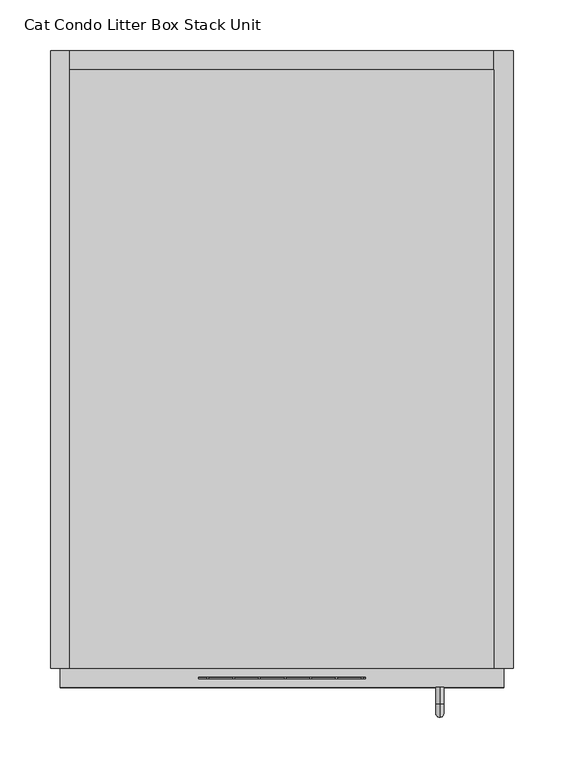
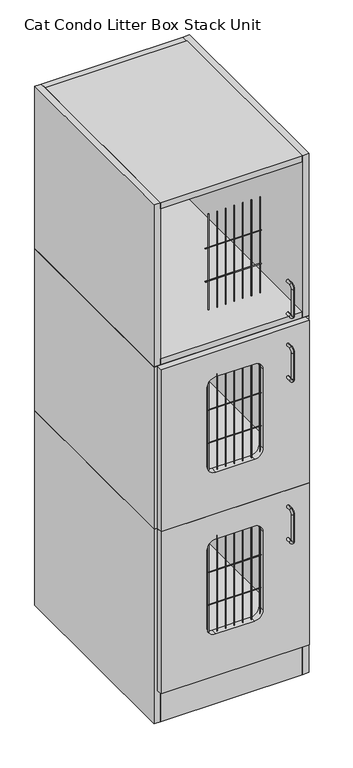
"""IFC4 building model written with IfcOpenShell, lengths in millimetres: proxy geometry, Cat Condo Litter Box Stack Unit."""

from ifc_helpers import new_model, si_unit, point, frame, frame_2d, origin, origin_with_axes, place, context, project, spatial, polyline, circle_curve, ellipse_curve, trimmed, segment, composite_curve, outline, extrude, source, transform, mapped, element, save
from ifc_brep_helpers import plane_surface, cylinder_surface, revolved_surface, advanced_brep


def cat_condo_litter_box_stack_unit_f2a30e1c(model_context):
    return source(origin(), model_context, "Body", "SolidModel", [
        advanced_brep(
        [(384.5819084, -19.05, 551.6993154), (384.5819084, -19.05, 559.5506846), (384.5819084, -35.2117768, 551.6993154), (384.5819084, -35.2117768, 559.5506846), (384.5819084, -48.3756846, 546.3867768), (384.5819084, -40.5243154, 546.3867768), (384.5819084, -40.5243154, 463.2632232), (384.5819084, -48.3756846, 463.2632232), (384.5819084, -35.2117768, 450.0993154), (384.5819084, -35.2117768, 457.9506846), (384.5819084, -19.05, 457.9506846), (384.5819084, -19.05, 450.0993154)],
        [
            (0, 1, circle_curve(frame((384.5819084, -19.05, 555.625), z_axis=(0.0, 1.0, 0.0), x_axis=(0.0, 0.0, 1.0)), 3.9256846)),
            (1, 0, circle_curve(frame((384.5819084, -19.05, 555.625), z_axis=(0.0, 1.0, 0.0), x_axis=(0.0, 0.0, 1.0)), 3.9256846)),
            (0, 2),
            (2, 3, circle_curve(frame((384.5819084, -35.2117768, 555.625), z_axis=(0.0, 1.0, 0.0), x_axis=(0.0, 0.0, 1.0)), 3.9256846)),
            (3, 1),
            (3, 2, circle_curve(frame((384.5819084, -35.2117768, 555.625), z_axis=(0.0, 1.0, 0.0), x_axis=(0.0, 0.0, 1.0)), 3.9256846)),
            (4, 3, circle_curve(frame((384.5819084, -35.2117768, 546.3867768), z_axis=(-1.0, 0.0, 0.0), x_axis=(0.0, 0.0, 1.0)), 13.1639078)),
            (2, 5, circle_curve(frame((384.5819084, -35.2117768, 546.3867768), z_axis=(1.0, 0.0, 0.0), x_axis=(0.0, 0.0, 1.0)), 5.3125387)),
            (5, 4, circle_curve(frame((384.5819084, -44.45, 546.3867768), z_axis=(0.0, 0.0, 1.0), x_axis=(0.0, -1.0000000000000002, 0.0)), 3.9256846)),
            (4, 5, circle_curve(frame((384.5819084, -44.45, 546.3867768), z_axis=(0.0, 0.0, 1.0), x_axis=(0.0, -1.0000000000000002, 0.0)), 3.9256846)),
            (5, 6),
            (6, 7, circle_curve(frame((384.5819084, -44.45, 463.2632232), z_axis=(0.0, 0.0, 1.0), x_axis=(0.0, -1.0000000000000002, 0.0)), 3.9256846)),
            (7, 4),
            (7, 6, circle_curve(frame((384.5819084, -44.45, 463.2632232), z_axis=(0.0, 0.0, 1.0), x_axis=(0.0, -1.0000000000000002, 0.0)), 3.9256846)),
            (8, 7, circle_curve(frame((384.5819084, -35.2117768, 463.2632232), z_axis=(-1.0, 0.0, 0.0), x_axis=(0.0, -1.0000000000000002, 0.0)), 13.1639078)),
            (6, 9, circle_curve(frame((384.5819084, -35.2117768, 463.2632232), z_axis=(1.0, 0.0, 0.0), x_axis=(0.0, -1.0000000000000002, 0.0)), 5.3125387)),
            (9, 8, circle_curve(frame((384.5819084, -35.2117768, 454.025), z_axis=(0.0, -1.0000000000000002, 0.0), x_axis=(0.0, 0.0, -1.0)), 3.9256846)),
            (8, 9, circle_curve(frame((384.5819084, -35.2117768, 454.025), z_axis=(0.0, -1.0000000000000002, 0.0), x_axis=(0.0, 0.0, -1.0)), 3.9256846)),
            (10, 11, circle_curve(frame((384.5819084, -19.05, 454.025), z_axis=(0.0, 1.0, 0.0), x_axis=(0.0, 0.0, -1.0)), 3.9256846)),
            (11, 10, circle_curve(frame((384.5819084, -19.05, 454.025), z_axis=(0.0, 1.0, 0.0), x_axis=(0.0, 0.0, -1.0)), 3.9256846)),
            (9, 10),
            (11, 8),
        ],
        [
            plane_surface(frame((384.5819084, -19.05, 555.625), z_axis=(0.0, 1.0, 0.0), x_axis=(1.0, 0.0, 0.0))),
            cylinder_surface(frame((384.5819084, -19.05, 555.625), z_axis=(0.0, 1.0000000000000002, 0.0), x_axis=(0.0, 0.0, 1.0)), 3.9256846),
            revolved_surface(trimmed(ellipse_curve(frame((384.5819084, -35.2117768, 555.625), z_axis=(0.0, 1.0000000000000002, 0.0), x_axis=(0.0, 0.0, 1.0)), 3.9256846, 3.9256846), [point((384.5819084, -35.2117768, 551.6993154))], [point((384.5819084, -35.2117768, 559.5506846))], True, "CARTESIAN"), (384.5819084, -35.2117768, 546.3867768), (1.0000000000000002, 0.0, 0.0)),
            revolved_surface(trimmed(ellipse_curve(frame((384.5819084, -35.2117768, 555.625), z_axis=(0.0, 1.0000000000000002, 0.0), x_axis=(0.0, 0.0, 1.0)), 3.9256846, 3.9256846), [point((384.5819084, -35.2117768, 559.5506846))], [point((384.5819084, -35.2117768, 551.6993154))], True, "CARTESIAN"), (384.5819084, -35.2117768, 546.3867768), (1.0000000000000002, 0.0, 0.0)),
            cylinder_surface(frame((384.5819084, -44.45, 546.3867768), z_axis=(0.0, 0.0, 1.0), x_axis=(0.0, -1.0000000000000002, 0.0)), 3.9256846),
            revolved_surface(trimmed(ellipse_curve(frame((384.5819084, -44.45, 463.2632232), z_axis=(0.0, 0.0, 1.0), x_axis=(0.0, -1.0000000000000002, 0.0)), 3.9256846, 3.9256846), [point((384.5819084, -40.5243154, 463.2632232))], [point((384.5819084, -48.3756846, 463.2632232))], True, "CARTESIAN"), (384.5819084, -35.2117768, 463.2632232), (1.0000000000000002, 0.0, 0.0)),
            revolved_surface(trimmed(ellipse_curve(frame((384.5819084, -44.45, 463.2632232), z_axis=(0.0, 0.0, 1.0), x_axis=(0.0, -1.0000000000000002, 0.0)), 3.9256846, 3.9256846), [point((384.5819084, -48.3756846, 463.2632232))], [point((384.5819084, -40.5243154, 463.2632232))], True, "CARTESIAN"), (384.5819084, -35.2117768, 463.2632232), (1.0000000000000002, 0.0, 0.0)),
            plane_surface(frame((384.5819084, -19.05, 454.025), z_axis=(0.0, 1.0, 0.0), x_axis=(1.0, 0.0, 0.0))),
            cylinder_surface(frame((384.5819084, -35.2117768, 454.025), z_axis=(0.0, -1.0000000000000002, 0.0), x_axis=(0.0, 0.0, -1.0)), 3.9256846),
        ],
        [
            (0, [[1, 2]]),
            (1, [[-1, 3, 4, 5]]),
            (1, [[-2, -5, 6, -3]]),
            (2, [[7, -4, 8, 9]]),
            (3, [[-8, -6, -7, 10]]),
            (4, [[-9, 11, 12, 13]]),
            (4, [[-10, -13, 14, -11]]),
            (5, [[15, -12, 16, 17]]),
            (6, [[-16, -14, -15, 18]]),
            (7, [[19, 20]]),
            (8, [[-17, 21, -20, 22]]),
            (8, [[-18, -22, -19, -21]]),
        ],
    ),
        extrude(outline(polyline([(438.15, 590.55), (438.15, 0.0), (19.05, 0.0), (19.05, 590.55), (438.15, 590.55)])), frame((0.0, 0.0, 587.375), z_axis=(0.0, 0.0, 1.0), x_axis=(1.0, 0.0, 0.0)), (0.0, 0.0, 1.0), 19.05),
        extrude(outline(polyline([(438.15, 0.0), (19.05, 0.0), (19.05, 590.55), (438.15, 590.55), (438.15, 0.0)])), frame((0.0, 0.0, 101.6), z_axis=(0.0, 0.0, 1.0), x_axis=(1.0, 0.0, 0.0)), (0.0, 0.0, 1.0), 19.05),
        extrude(outline(polyline([(438.15, 19.05), (438.15, 0.0), (19.05, 0.0), (19.05, 19.05), (438.15, 19.05)])), origin_with_axes(), (0.0, 0.0, 1.0), 101.6),
        extrude(outline(polyline([(438.15, 609.6), (457.2, 609.6), (457.2, 0.0), (438.15, 0.0), (438.15, 609.6)])), origin_with_axes(), (0.0, 0.0, 1.0), 606.425),
        extrude(outline(polyline([(438.15, 609.6), (438.15, 590.55), (19.05, 590.55), (19.05, 609.6), (438.15, 609.6)])), origin_with_axes(), (0.0, 0.0, 1.0), 606.425),
        extrude(outline(polyline([(19.05, 609.6), (19.05, 0.0), (0.0, 0.0), (0.0, 609.6), (19.05, 609.6)])), origin_with_axes(), (0.0, 0.0, 1.0), 606.425),
        extrude(outline(composite_curve([segment(trimmed(circle_curve(frame_2d((-9.6602248, 423.8625)), 0.79375), [point((-9.6602248, 424.65625))], [point((-9.6602248, 423.06875))], False, "CARTESIAN"), True, "CONTINUOUS"), segment(trimmed(circle_curve(frame_2d((-9.6602248, 423.8625)), 0.79375), [point((-9.6602248, 423.06875))], [point((-9.6602248, 424.65625))], False, "CARTESIAN"), True, "CONTINUOUS")], self_intersect=False)), frame((146.05, 0.0, 0.0), z_axis=(1.0, 0.0, 0.0), x_axis=(0.0, 1.0, 0.0)), (0.0, 0.0, 1.0), 165.1),
        extrude(outline(composite_curve([segment(trimmed(circle_curve(frame_2d((-9.6602248, 322.2625)), 0.79375), [point((-9.6602248, 323.05625))], [point((-9.6602248, 321.46875))], False, "CARTESIAN"), True, "CONTINUOUS"), segment(trimmed(circle_curve(frame_2d((-9.6602248, 322.2625)), 0.79375), [point((-9.6602248, 321.46875))], [point((-9.6602248, 323.05625))], False, "CARTESIAN"), True, "CONTINUOUS")], self_intersect=False)), frame((146.05, 0.0, 0.0), z_axis=(1.0, 0.0, 0.0), x_axis=(0.0, 1.0, 0.0)), (0.0, 0.0, 1.0), 165.1),
        extrude(outline(composite_curve([segment(trimmed(circle_curve(frame_2d((307.8919665, -9.6602248)), 0.79375), [point((307.0982165, -9.6602248))], [point((308.6857165, -9.6602248))], False, "CARTESIAN"), True, "CONTINUOUS"), segment(trimmed(circle_curve(frame_2d((307.8919665, -9.6602248)), 0.79375), [point((308.6857165, -9.6602248))], [point((307.0982165, -9.6602248))], False, "CARTESIAN"), True, "CONTINUOUS")], self_intersect=False)), frame((0.0, 0.0, 231.775), z_axis=(0.0, 0.0, 1.0), x_axis=(1.0, 0.0, 0.0)), (0.0, 0.0, 1.0), 298.45),
        extrude(outline(composite_curve([segment(trimmed(circle_curve(frame_2d((282.4919665, -9.6602248)), 0.79375), [point((281.6982165, -9.6602248))], [point((283.2857165, -9.6602248))], False, "CARTESIAN"), True, "CONTINUOUS"), segment(trimmed(circle_curve(frame_2d((282.4919665, -9.6602248)), 0.79375), [point((283.2857165, -9.6602248))], [point((281.6982165, -9.6602248))], False, "CARTESIAN"), True, "CONTINUOUS")], self_intersect=False)), frame((0.0, 0.0, 231.775), z_axis=(0.0, 0.0, 1.0), x_axis=(1.0, 0.0, 0.0)), (0.0, 0.0, 1.0), 298.45),
        extrude(outline(composite_curve([segment(trimmed(circle_curve(frame_2d((257.0919665, -9.6602248)), 0.79375), [point((256.2982165, -9.6602248))], [point((257.8857165, -9.6602248))], False, "CARTESIAN"), True, "CONTINUOUS"), segment(trimmed(circle_curve(frame_2d((257.0919665, -9.6602248)), 0.79375), [point((257.8857165, -9.6602248))], [point((256.2982165, -9.6602248))], False, "CARTESIAN"), True, "CONTINUOUS")], self_intersect=False)), frame((0.0, 0.0, 231.775), z_axis=(0.0, 0.0, 1.0), x_axis=(1.0, 0.0, 0.0)), (0.0, 0.0, 1.0), 298.45),
        extrude(outline(composite_curve([segment(trimmed(circle_curve(frame_2d((231.6919665, -9.6602248)), 0.79375), [point((230.8982165, -9.6602248))], [point((232.4857165, -9.6602248))], False, "CARTESIAN"), True, "CONTINUOUS"), segment(trimmed(circle_curve(frame_2d((231.6919665, -9.6602248)), 0.79375), [point((232.4857165, -9.6602248))], [point((230.8982165, -9.6602248))], False, "CARTESIAN"), True, "CONTINUOUS")], self_intersect=False)), frame((0.0, 0.0, 231.775), z_axis=(0.0, 0.0, 1.0), x_axis=(1.0, 0.0, 0.0)), (0.0, 0.0, 1.0), 298.45),
        extrude(outline(composite_curve([segment(trimmed(circle_curve(frame_2d((206.2919665, -9.6602248)), 0.79375), [point((205.4982165, -9.6602248))], [point((207.0857165, -9.6602248))], False, "CARTESIAN"), True, "CONTINUOUS"), segment(trimmed(circle_curve(frame_2d((206.2919665, -9.6602248)), 0.79375), [point((207.0857165, -9.6602248))], [point((205.4982165, -9.6602248))], False, "CARTESIAN"), True, "CONTINUOUS")], self_intersect=False)), frame((0.0, 0.0, 231.775), z_axis=(0.0, 0.0, 1.0), x_axis=(1.0, 0.0, 0.0)), (0.0, 0.0, 1.0), 298.45),
        extrude(outline(composite_curve([segment(trimmed(circle_curve(frame_2d((180.8919665, -9.6602248)), 0.79375), [point((180.0982165, -9.6602248))], [point((181.6857165, -9.6602248))], False, "CARTESIAN"), True, "CONTINUOUS"), segment(trimmed(circle_curve(frame_2d((180.8919665, -9.6602248)), 0.79375), [point((181.6857165, -9.6602248))], [point((180.0982165, -9.6602248))], False, "CARTESIAN"), True, "CONTINUOUS")], self_intersect=False)), frame((0.0, 0.0, 231.775), z_axis=(0.0, 0.0, 1.0), x_axis=(1.0, 0.0, 0.0)), (0.0, 0.0, 1.0), 298.45),
        extrude(outline(composite_curve([segment(trimmed(circle_curve(frame_2d((155.4919665, -9.6602248)), 0.79375), [point((154.6982165, -9.6602248))], [point((156.2857165, -9.6602248))], False, "CARTESIAN"), True, "CONTINUOUS"), segment(trimmed(circle_curve(frame_2d((155.4919665, -9.6602248)), 0.79375), [point((156.2857165, -9.6602248))], [point((154.6982165, -9.6602248))], False, "CARTESIAN"), True, "CONTINUOUS")], self_intersect=False)), frame((0.0, 0.0, 231.775), z_axis=(0.0, 0.0, 1.0), x_axis=(1.0, 0.0, 0.0)), (0.0, 0.0, 1.0), 298.45),
        extrude(outline(composite_curve([segment(trimmed(circle_curve(frame_2d((282.4919665, -9.6602248)), 0.79375), [point((281.6982165, -9.6602248))], [point((283.2857165, -9.6602248))], False, "CARTESIAN"), True, "CONTINUOUS"), segment(trimmed(circle_curve(frame_2d((282.4919665, -9.6602248)), 0.79375), [point((283.2857165, -9.6602248))], [point((281.6982165, -9.6602248))], False, "CARTESIAN"), True, "CONTINUOUS")], self_intersect=False)), frame((0.0, 0.0, 231.775), z_axis=(0.0, 0.0, 1.0), x_axis=(1.0, 0.0, 0.0)), (0.0, 0.0, 1.0), 298.45),
        extrude(outline(composite_curve([segment(trimmed(circle_curve(frame_2d((257.0919665, -9.6602248)), 0.79375), [point((256.2982165, -9.6602248))], [point((257.8857165, -9.6602248))], False, "CARTESIAN"), True, "CONTINUOUS"), segment(trimmed(circle_curve(frame_2d((257.0919665, -9.6602248)), 0.79375), [point((257.8857165, -9.6602248))], [point((256.2982165, -9.6602248))], False, "CARTESIAN"), True, "CONTINUOUS")], self_intersect=False)), frame((0.0, 0.0, 231.775), z_axis=(0.0, 0.0, 1.0), x_axis=(1.0, 0.0, 0.0)), (0.0, 0.0, 1.0), 298.45),
        extrude(outline(composite_curve([segment(trimmed(circle_curve(frame_2d((231.6919665, -9.6602248)), 0.79375), [point((230.8982165, -9.6602248))], [point((232.4857165, -9.6602248))], False, "CARTESIAN"), True, "CONTINUOUS"), segment(trimmed(circle_curve(frame_2d((231.6919665, -9.6602248)), 0.79375), [point((232.4857165, -9.6602248))], [point((230.8982165, -9.6602248))], False, "CARTESIAN"), True, "CONTINUOUS")], self_intersect=False)), frame((0.0, 0.0, 231.775), z_axis=(0.0, 0.0, 1.0), x_axis=(1.0, 0.0, 0.0)), (0.0, 0.0, 1.0), 298.45),
        extrude(outline(composite_curve([segment(trimmed(circle_curve(frame_2d((206.2919665, -9.6602248)), 0.79375), [point((205.4982165, -9.6602248))], [point((207.0857165, -9.6602248))], False, "CARTESIAN"), True, "CONTINUOUS"), segment(trimmed(circle_curve(frame_2d((206.2919665, -9.6602248)), 0.79375), [point((207.0857165, -9.6602248))], [point((205.4982165, -9.6602248))], False, "CARTESIAN"), True, "CONTINUOUS")], self_intersect=False)), frame((0.0, 0.0, 231.775), z_axis=(0.0, 0.0, 1.0), x_axis=(1.0, 0.0, 0.0)), (0.0, 0.0, 1.0), 298.45),
        extrude(outline(composite_curve([segment(trimmed(circle_curve(frame_2d((180.8919665, -9.6602248)), 0.79375), [point((180.0982165, -9.6602248))], [point((181.6857165, -9.6602248))], False, "CARTESIAN"), True, "CONTINUOUS"), segment(trimmed(circle_curve(frame_2d((180.8919665, -9.6602248)), 0.79375), [point((181.6857165, -9.6602248))], [point((180.0982165, -9.6602248))], False, "CARTESIAN"), True, "CONTINUOUS")], self_intersect=False)), frame((0.0, 0.0, 231.775), z_axis=(0.0, 0.0, 1.0), x_axis=(1.0, 0.0, 0.0)), (0.0, 0.0, 1.0), 298.45),
        extrude(outline(composite_curve([segment(trimmed(circle_curve(frame_2d((155.4919665, -9.6602248)), 0.79375), [point((154.6982165, -9.6602248))], [point((156.2857165, -9.6602248))], False, "CARTESIAN"), True, "CONTINUOUS"), segment(trimmed(circle_curve(frame_2d((155.4919665, -9.6602248)), 0.79375), [point((156.2857165, -9.6602248))], [point((154.6982165, -9.6602248))], False, "CARTESIAN"), True, "CONTINUOUS")], self_intersect=False)), frame((0.0, 0.0, 231.775), z_axis=(0.0, 0.0, 1.0), x_axis=(1.0, 0.0, 0.0)), (0.0, 0.0, 1.0), 298.45),
        extrude(outline(polyline([(606.425, 447.675), (606.425, 9.525), (101.6, 9.525), (101.6, 447.675), (606.425, 447.675)]), holes=[composite_curve([segment(polyline([(527.05, 171.45), (527.05, 285.75)]), True, "CONTINUOUS"), segment(trimmed(circle_curve(frame_2d((501.65, 285.75)), 25.4), [point((527.05, 285.75))], [point((501.65, 311.15))], True, "CARTESIAN"), True, "CONTINUOUS"), segment(polyline([(501.65, 311.15), (257.175, 311.15)]), True, "CONTINUOUS"), segment(trimmed(circle_curve(frame_2d((257.175, 285.75)), 25.4), [point((257.175, 311.15))], [point((231.775, 285.75))], True, "CARTESIAN"), True, "CONTINUOUS"), segment(polyline([(231.775, 285.75), (231.775, 171.45)]), True, "CONTINUOUS"), segment(trimmed(circle_curve(frame_2d((257.175, 171.45)), 25.4), [point((231.775, 171.45))], [point((257.175, 146.05))], True, "CARTESIAN"), True, "CONTINUOUS"), segment(polyline([(257.175, 146.05), (501.65, 146.05)]), True, "CONTINUOUS"), segment(trimmed(circle_curve(frame_2d((501.65, 171.45)), 25.4), [point((501.65, 146.05))], [point((527.05, 171.45))], True, "CARTESIAN"), True, "CONTINUOUS")], self_intersect=False)]), frame((0.0, -19.05, 0.0), z_axis=(0.0, 1.0, 0.0), x_axis=(0.0, 0.0, 1.0)), (0.0, 0.0, 1.0), 19.05),
        advanced_brep(
        [(384.5819084, -19.05, 1056.5243154), (384.5819084, -19.05, 1064.3756846), (384.5819084, -35.2117768, 1056.5243154), (384.5819084, -35.2117768, 1064.3756846), (384.5819084, -48.3756846, 1051.2117768), (384.5819084, -40.5243154, 1051.2117768), (384.5819084, -40.5243154, 968.0882232), (384.5819084, -48.3756846, 968.0882232), (384.5819084, -35.2117768, 954.9243154), (384.5819084, -35.2117768, 962.7756846), (384.5819084, -19.05, 962.7756846), (384.5819084, -19.05, 954.9243154)],
        [
            (0, 1, circle_curve(frame((384.5819084, -19.05, 1060.45), z_axis=(0.0, 1.0, 0.0), x_axis=(0.0, 0.0, 1.0)), 3.9256846)),
            (1, 0, circle_curve(frame((384.5819084, -19.05, 1060.45), z_axis=(0.0, 1.0, 0.0), x_axis=(0.0, 0.0, 1.0)), 3.9256846)),
            (0, 2),
            (2, 3, circle_curve(frame((384.5819084, -35.2117768, 1060.45), z_axis=(0.0, 1.0, 0.0), x_axis=(0.0, 0.0, 1.0)), 3.9256846)),
            (3, 1),
            (3, 2, circle_curve(frame((384.5819084, -35.2117768, 1060.45), z_axis=(0.0, 1.0, 0.0), x_axis=(0.0, 0.0, 1.0)), 3.9256846)),
            (4, 3, circle_curve(frame((384.5819084, -35.2117768, 1051.2117768), z_axis=(-1.0, 0.0, 0.0), x_axis=(0.0, 0.0, 1.0)), 13.1639078)),
            (2, 5, circle_curve(frame((384.5819084, -35.2117768, 1051.2117768), z_axis=(1.0, 0.0, 0.0), x_axis=(0.0, 0.0, 1.0)), 5.3125387)),
            (5, 4, circle_curve(frame((384.5819084, -44.45, 1051.2117768), z_axis=(0.0, 0.0, 1.0), x_axis=(0.0, -1.0000000000000002, 0.0)), 3.9256846)),
            (4, 5, circle_curve(frame((384.5819084, -44.45, 1051.2117768), z_axis=(0.0, 0.0, 1.0), x_axis=(0.0, -1.0000000000000002, 0.0)), 3.9256846)),
            (5, 6),
            (6, 7, circle_curve(frame((384.5819084, -44.45, 968.0882232), z_axis=(0.0, 0.0, 1.0), x_axis=(0.0, -1.0000000000000002, 0.0)), 3.9256846)),
            (7, 4),
            (7, 6, circle_curve(frame((384.5819084, -44.45, 968.0882232), z_axis=(0.0, 0.0, 1.0), x_axis=(0.0, -1.0000000000000002, 0.0)), 3.9256846)),
            (8, 7, circle_curve(frame((384.5819084, -35.2117768, 968.0882232), z_axis=(-1.0, 0.0, 0.0), x_axis=(0.0, -1.0000000000000002, 0.0)), 13.1639078)),
            (6, 9, circle_curve(frame((384.5819084, -35.2117768, 968.0882232), z_axis=(1.0, 0.0, 0.0), x_axis=(0.0, -1.0000000000000002, 0.0)), 5.3125387)),
            (9, 8, circle_curve(frame((384.5819084, -35.2117768, 958.85), z_axis=(0.0, -1.0000000000000002, 0.0), x_axis=(0.0, 0.0, -1.0)), 3.9256846)),
            (8, 9, circle_curve(frame((384.5819084, -35.2117768, 958.85), z_axis=(0.0, -1.0000000000000002, 0.0), x_axis=(0.0, 0.0, -1.0)), 3.9256846)),
            (10, 11, circle_curve(frame((384.5819084, -19.05, 958.85), z_axis=(0.0, 1.0, 0.0), x_axis=(0.0, 0.0, -1.0)), 3.9256846)),
            (11, 10, circle_curve(frame((384.5819084, -19.05, 958.85), z_axis=(0.0, 1.0, 0.0), x_axis=(0.0, 0.0, -1.0)), 3.9256846)),
            (9, 10),
            (11, 8),
        ],
        [
            plane_surface(frame((384.5819084, -19.05, 1060.45), z_axis=(0.0, 1.0, 0.0), x_axis=(1.0, 0.0, 0.0))),
            cylinder_surface(frame((384.5819084, -19.05, 1060.45), z_axis=(0.0, 1.0000000000000002, 0.0), x_axis=(0.0, 0.0, 1.0)), 3.9256846),
            revolved_surface(trimmed(ellipse_curve(frame((384.5819084, -35.2117768, 1060.45), z_axis=(0.0, 1.0000000000000002, 0.0), x_axis=(0.0, 0.0, 1.0)), 3.9256846, 3.9256846), [point((384.5819084, -35.2117768, 1056.5243154))], [point((384.5819084, -35.2117768, 1064.3756846))], True, "CARTESIAN"), (384.5819084, -35.2117768, 1051.2117768), (1.0000000000000002, 0.0, 0.0)),
            revolved_surface(trimmed(ellipse_curve(frame((384.5819084, -35.2117768, 1060.45), z_axis=(0.0, 1.0000000000000002, 0.0), x_axis=(0.0, 0.0, 1.0)), 3.9256846, 3.9256846), [point((384.5819084, -35.2117768, 1064.3756846))], [point((384.5819084, -35.2117768, 1056.5243154))], True, "CARTESIAN"), (384.5819084, -35.2117768, 1051.2117768), (1.0000000000000002, 0.0, 0.0)),
            cylinder_surface(frame((384.5819084, -44.45, 1051.2117768), z_axis=(0.0, 0.0, 1.0), x_axis=(0.0, -1.0000000000000002, 0.0)), 3.9256846),
            revolved_surface(trimmed(ellipse_curve(frame((384.5819084, -44.45, 968.0882232), z_axis=(0.0, 0.0, 1.0), x_axis=(0.0, -1.0000000000000002, 0.0)), 3.9256846, 3.9256846), [point((384.5819084, -40.5243154, 968.0882232))], [point((384.5819084, -48.3756846, 968.0882232))], True, "CARTESIAN"), (384.5819084, -35.2117768, 968.0882232), (1.0000000000000002, 0.0, 0.0)),
            revolved_surface(trimmed(ellipse_curve(frame((384.5819084, -44.45, 968.0882232), z_axis=(0.0, 0.0, 1.0), x_axis=(0.0, -1.0000000000000002, 0.0)), 3.9256846, 3.9256846), [point((384.5819084, -48.3756846, 968.0882232))], [point((384.5819084, -40.5243154, 968.0882232))], True, "CARTESIAN"), (384.5819084, -35.2117768, 968.0882232), (1.0000000000000002, 0.0, 0.0)),
            plane_surface(frame((384.5819084, -19.05, 958.85), z_axis=(0.0, 1.0, 0.0), x_axis=(1.0, 0.0, 0.0))),
            cylinder_surface(frame((384.5819084, -35.2117768, 958.85), z_axis=(0.0, -1.0000000000000002, 0.0), x_axis=(0.0, 0.0, -1.0)), 3.9256846),
        ],
        [
            (0, [[1, 2]]),
            (1, [[-1, 3, 4, 5]]),
            (1, [[-2, -5, 6, -3]]),
            (2, [[7, -4, 8, 9]]),
            (3, [[-8, -6, -7, 10]]),
            (4, [[-9, 11, 12, 13]]),
            (4, [[-10, -13, 14, -11]]),
            (5, [[15, -12, 16, 17]]),
            (6, [[-16, -14, -15, 18]]),
            (7, [[19, 20]]),
            (8, [[-17, 21, -20, 22]]),
            (8, [[-18, -22, -19, -21]]),
        ],
    ),
        extrude(outline(polyline([(438.15, 590.55), (438.15, 0.0), (19.05, 0.0), (19.05, 590.55), (438.15, 590.55)])), frame((0.0, 0.0, 1093.7875), z_axis=(0.0, 0.0, 1.0), x_axis=(1.0, 0.0, 0.0)), (0.0, 0.0, 1.0), 19.05),
        extrude(outline(polyline([(438.15, 0.0), (19.05, 0.0), (19.05, 590.55), (438.15, 590.55), (438.15, 0.0)])), frame((0.0, 0.0, 606.425), z_axis=(0.0, 0.0, 1.0), x_axis=(1.0, 0.0, 0.0)), (0.0, 0.0, 1.0), 19.05),
        extrude(outline(polyline([(438.15, 609.6), (457.2, 609.6), (457.2, 0.0), (438.15, 0.0), (438.15, 609.6)])), frame((0.0, 0.0, 606.425), z_axis=(0.0, 0.0, 1.0), x_axis=(1.0, 0.0, 0.0)), (0.0, 0.0, 1.0), 506.4125),
        extrude(outline(polyline([(438.15, 609.6), (438.15, 590.55), (19.05, 590.55), (19.05, 609.6), (438.15, 609.6)])), frame((0.0, 0.0, 606.425), z_axis=(0.0, 0.0, 1.0), x_axis=(1.0, 0.0, 0.0)), (0.0, 0.0, 1.0), 506.4125),
        extrude(outline(polyline([(19.05, 609.6), (19.05, 0.0), (0.0, 0.0), (0.0, 609.6), (19.05, 609.6)])), frame((0.0, 0.0, 606.425), z_axis=(0.0, 0.0, 1.0), x_axis=(1.0, 0.0, 0.0)), (0.0, 0.0, 1.0), 506.4125),
        extrude(outline(composite_curve([segment(trimmed(circle_curve(frame_2d((-9.6602248, 930.275)), 0.79375), [point((-9.6602248, 931.06875))], [point((-9.6602248, 929.48125))], False, "CARTESIAN"), True, "CONTINUOUS"), segment(trimmed(circle_curve(frame_2d((-9.6602248, 930.275)), 0.79375), [point((-9.6602248, 929.48125))], [point((-9.6602248, 931.06875))], False, "CARTESIAN"), True, "CONTINUOUS")], self_intersect=False)), frame((146.05, 0.0, 0.0), z_axis=(1.0, 0.0, 0.0), x_axis=(0.0, 1.0, 0.0)), (0.0, 0.0, 1.0), 165.1),
        extrude(outline(composite_curve([segment(trimmed(circle_curve(frame_2d((-9.6602248, 827.0875)), 0.79375), [point((-9.6602248, 827.88125))], [point((-9.6602248, 826.29375))], False, "CARTESIAN"), True, "CONTINUOUS"), segment(trimmed(circle_curve(frame_2d((-9.6602248, 827.0875)), 0.79375), [point((-9.6602248, 826.29375))], [point((-9.6602248, 827.88125))], False, "CARTESIAN"), True, "CONTINUOUS")], self_intersect=False)), frame((146.05, 0.0, 0.0), z_axis=(1.0, 0.0, 0.0), x_axis=(0.0, 1.0, 0.0)), (0.0, 0.0, 1.0), 165.1),
        extrude(outline(composite_curve([segment(trimmed(circle_curve(frame_2d((307.8919665, -9.6602248)), 0.79375), [point((307.0982165, -9.6602248))], [point((308.6857165, -9.6602248))], False, "CARTESIAN"), True, "CONTINUOUS"), segment(trimmed(circle_curve(frame_2d((307.8919665, -9.6602248)), 0.79375), [point((308.6857165, -9.6602248))], [point((307.0982165, -9.6602248))], False, "CARTESIAN"), True, "CONTINUOUS")], self_intersect=False)), frame((0.0, 0.0, 736.6), z_axis=(0.0, 0.0, 1.0), x_axis=(1.0, 0.0, 0.0)), (0.0, 0.0, 1.0), 298.45),
        extrude(outline(composite_curve([segment(trimmed(circle_curve(frame_2d((282.4919665, -9.6602248)), 0.79375), [point((281.6982165, -9.6602248))], [point((283.2857165, -9.6602248))], False, "CARTESIAN"), True, "CONTINUOUS"), segment(trimmed(circle_curve(frame_2d((282.4919665, -9.6602248)), 0.79375), [point((283.2857165, -9.6602248))], [point((281.6982165, -9.6602248))], False, "CARTESIAN"), True, "CONTINUOUS")], self_intersect=False)), frame((0.0, 0.0, 736.6), z_axis=(0.0, 0.0, 1.0), x_axis=(1.0, 0.0, 0.0)), (0.0, 0.0, 1.0), 298.45),
        extrude(outline(composite_curve([segment(trimmed(circle_curve(frame_2d((257.0919665, -9.6602248)), 0.79375), [point((256.2982165, -9.6602248))], [point((257.8857165, -9.6602248))], False, "CARTESIAN"), True, "CONTINUOUS"), segment(trimmed(circle_curve(frame_2d((257.0919665, -9.6602248)), 0.79375), [point((257.8857165, -9.6602248))], [point((256.2982165, -9.6602248))], False, "CARTESIAN"), True, "CONTINUOUS")], self_intersect=False)), frame((0.0, 0.0, 736.6), z_axis=(0.0, 0.0, 1.0), x_axis=(1.0, 0.0, 0.0)), (0.0, 0.0, 1.0), 298.45),
        extrude(outline(composite_curve([segment(trimmed(circle_curve(frame_2d((231.6919665, -9.6602248)), 0.79375), [point((230.8982165, -9.6602248))], [point((232.4857165, -9.6602248))], False, "CARTESIAN"), True, "CONTINUOUS"), segment(trimmed(circle_curve(frame_2d((231.6919665, -9.6602248)), 0.79375), [point((232.4857165, -9.6602248))], [point((230.8982165, -9.6602248))], False, "CARTESIAN"), True, "CONTINUOUS")], self_intersect=False)), frame((0.0, 0.0, 736.6), z_axis=(0.0, 0.0, 1.0), x_axis=(1.0, 0.0, 0.0)), (0.0, 0.0, 1.0), 298.45),
        extrude(outline(composite_curve([segment(trimmed(circle_curve(frame_2d((206.2919665, -9.6602248)), 0.79375), [point((205.4982165, -9.6602248))], [point((207.0857165, -9.6602248))], False, "CARTESIAN"), True, "CONTINUOUS"), segment(trimmed(circle_curve(frame_2d((206.2919665, -9.6602248)), 0.79375), [point((207.0857165, -9.6602248))], [point((205.4982165, -9.6602248))], False, "CARTESIAN"), True, "CONTINUOUS")], self_intersect=False)), frame((0.0, 0.0, 736.6), z_axis=(0.0, 0.0, 1.0), x_axis=(1.0, 0.0, 0.0)), (0.0, 0.0, 1.0), 298.45),
        extrude(outline(composite_curve([segment(trimmed(circle_curve(frame_2d((180.8919665, -9.6602248)), 0.79375), [point((180.0982165, -9.6602248))], [point((181.6857165, -9.6602248))], False, "CARTESIAN"), True, "CONTINUOUS"), segment(trimmed(circle_curve(frame_2d((180.8919665, -9.6602248)), 0.79375), [point((181.6857165, -9.6602248))], [point((180.0982165, -9.6602248))], False, "CARTESIAN"), True, "CONTINUOUS")], self_intersect=False)), frame((0.0, 0.0, 736.6), z_axis=(0.0, 0.0, 1.0), x_axis=(1.0, 0.0, 0.0)), (0.0, 0.0, 1.0), 298.45),
        extrude(outline(composite_curve([segment(trimmed(circle_curve(frame_2d((155.4919665, -9.6602248)), 0.79375), [point((154.6982165, -9.6602248))], [point((156.2857165, -9.6602248))], False, "CARTESIAN"), True, "CONTINUOUS"), segment(trimmed(circle_curve(frame_2d((155.4919665, -9.6602248)), 0.79375), [point((156.2857165, -9.6602248))], [point((154.6982165, -9.6602248))], False, "CARTESIAN"), True, "CONTINUOUS")], self_intersect=False)), frame((0.0, 0.0, 736.6), z_axis=(0.0, 0.0, 1.0), x_axis=(1.0, 0.0, 0.0)), (0.0, 0.0, 1.0), 298.45),
        extrude(outline(composite_curve([segment(trimmed(circle_curve(frame_2d((282.4919665, -9.6602248)), 0.79375), [point((281.6982165, -9.6602248))], [point((283.2857165, -9.6602248))], False, "CARTESIAN"), True, "CONTINUOUS"), segment(trimmed(circle_curve(frame_2d((282.4919665, -9.6602248)), 0.79375), [point((283.2857165, -9.6602248))], [point((281.6982165, -9.6602248))], False, "CARTESIAN"), True, "CONTINUOUS")], self_intersect=False)), frame((0.0, 0.0, 736.6), z_axis=(0.0, 0.0, 1.0), x_axis=(1.0, 0.0, 0.0)), (0.0, 0.0, 1.0), 298.45),
        extrude(outline(composite_curve([segment(trimmed(circle_curve(frame_2d((257.0919665, -9.6602248)), 0.79375), [point((256.2982165, -9.6602248))], [point((257.8857165, -9.6602248))], False, "CARTESIAN"), True, "CONTINUOUS"), segment(trimmed(circle_curve(frame_2d((257.0919665, -9.6602248)), 0.79375), [point((257.8857165, -9.6602248))], [point((256.2982165, -9.6602248))], False, "CARTESIAN"), True, "CONTINUOUS")], self_intersect=False)), frame((0.0, 0.0, 736.6), z_axis=(0.0, 0.0, 1.0), x_axis=(1.0, 0.0, 0.0)), (0.0, 0.0, 1.0), 298.45),
        extrude(outline(composite_curve([segment(trimmed(circle_curve(frame_2d((231.6919665, -9.6602248)), 0.79375), [point((230.8982165, -9.6602248))], [point((232.4857165, -9.6602248))], False, "CARTESIAN"), True, "CONTINUOUS"), segment(trimmed(circle_curve(frame_2d((231.6919665, -9.6602248)), 0.79375), [point((232.4857165, -9.6602248))], [point((230.8982165, -9.6602248))], False, "CARTESIAN"), True, "CONTINUOUS")], self_intersect=False)), frame((0.0, 0.0, 736.6), z_axis=(0.0, 0.0, 1.0), x_axis=(1.0, 0.0, 0.0)), (0.0, 0.0, 1.0), 298.45),
        extrude(outline(composite_curve([segment(trimmed(circle_curve(frame_2d((206.2919665, -9.6602248)), 0.79375), [point((205.4982165, -9.6602248))], [point((207.0857165, -9.6602248))], False, "CARTESIAN"), True, "CONTINUOUS"), segment(trimmed(circle_curve(frame_2d((206.2919665, -9.6602248)), 0.79375), [point((207.0857165, -9.6602248))], [point((205.4982165, -9.6602248))], False, "CARTESIAN"), True, "CONTINUOUS")], self_intersect=False)), frame((0.0, 0.0, 736.6), z_axis=(0.0, 0.0, 1.0), x_axis=(1.0, 0.0, 0.0)), (0.0, 0.0, 1.0), 298.45),
        extrude(outline(composite_curve([segment(trimmed(circle_curve(frame_2d((180.8919665, -9.6602248)), 0.79375), [point((180.0982165, -9.6602248))], [point((181.6857165, -9.6602248))], False, "CARTESIAN"), True, "CONTINUOUS"), segment(trimmed(circle_curve(frame_2d((180.8919665, -9.6602248)), 0.79375), [point((181.6857165, -9.6602248))], [point((180.0982165, -9.6602248))], False, "CARTESIAN"), True, "CONTINUOUS")], self_intersect=False)), frame((0.0, 0.0, 736.6), z_axis=(0.0, 0.0, 1.0), x_axis=(1.0, 0.0, 0.0)), (0.0, 0.0, 1.0), 298.45),
        extrude(outline(composite_curve([segment(trimmed(circle_curve(frame_2d((155.4919665, -9.6602248)), 0.79375), [point((154.6982165, -9.6602248))], [point((156.2857165, -9.6602248))], False, "CARTESIAN"), True, "CONTINUOUS"), segment(trimmed(circle_curve(frame_2d((155.4919665, -9.6602248)), 0.79375), [point((156.2857165, -9.6602248))], [point((154.6982165, -9.6602248))], False, "CARTESIAN"), True, "CONTINUOUS")], self_intersect=False)), frame((0.0, 0.0, 736.6), z_axis=(0.0, 0.0, 1.0), x_axis=(1.0, 0.0, 0.0)), (0.0, 0.0, 1.0), 298.45),
        extrude(outline(polyline([(1112.8375, 447.675), (1112.8375, 9.525), (606.425, 9.525), (606.425, 447.675), (1112.8375, 447.675)]), holes=[composite_curve([segment(polyline([(1033.4625, 171.45), (1033.4625, 285.75)]), True, "CONTINUOUS"), segment(trimmed(circle_curve(frame_2d((1008.0625, 285.75)), 25.4), [point((1033.4625, 285.75))], [point((1008.0625, 311.15))], True, "CARTESIAN"), True, "CONTINUOUS"), segment(polyline([(1008.0625, 311.15), (762.0, 311.15)]), True, "CONTINUOUS"), segment(trimmed(circle_curve(frame_2d((762.0, 285.75)), 25.4), [point((762.0, 311.15))], [point((736.6, 285.75))], True, "CARTESIAN"), True, "CONTINUOUS"), segment(polyline([(736.6, 285.75), (736.6, 171.45)]), True, "CONTINUOUS"), segment(trimmed(circle_curve(frame_2d((762.0, 171.45)), 25.4), [point((736.6, 171.45))], [point((762.0, 146.05))], True, "CARTESIAN"), True, "CONTINUOUS"), segment(polyline([(762.0, 146.05), (1008.0625, 146.05)]), True, "CONTINUOUS"), segment(trimmed(circle_curve(frame_2d((1008.0625, 171.45)), 25.4), [point((1008.0625, 146.05))], [point((1033.4625, 171.45))], True, "CARTESIAN"), True, "CONTINUOUS")], self_intersect=False)]), frame((0.0, -19.05, 0.0), z_axis=(0.0, 1.0, 0.0), x_axis=(0.0, 0.0, 1.0)), (0.0, 0.0, 1.0), 19.05),
        advanced_brep(
        [(384.5819084, -19.05, 1254.9618154), (384.5819084, -19.05, 1262.8131846), (384.5819084, -35.2117768, 1254.9618154), (384.5819084, -35.2117768, 1262.8131846), (384.5819084, -48.3756846, 1249.6492768), (384.5819084, -40.5243154, 1249.6492768), (384.5819084, -40.5243154, 1166.5257232), (384.5819084, -48.3756846, 1166.5257232), (384.5819084, -35.2117768, 1153.3618154), (384.5819084, -35.2117768, 1161.2131846), (384.5819084, -19.05, 1161.2131846), (384.5819084, -19.05, 1153.3618154)],
        [
            (0, 1, circle_curve(frame((384.5819084, -19.05, 1258.8875), z_axis=(0.0, 1.0, 0.0), x_axis=(0.0, 0.0, 1.0)), 3.9256846)),
            (1, 0, circle_curve(frame((384.5819084, -19.05, 1258.8875), z_axis=(0.0, 1.0, 0.0), x_axis=(0.0, 0.0, 1.0)), 3.9256846)),
            (0, 2),
            (2, 3, circle_curve(frame((384.5819084, -35.2117768, 1258.8875), z_axis=(0.0, 1.0, 0.0), x_axis=(0.0, 0.0, 1.0)), 3.9256846)),
            (3, 1),
            (3, 2, circle_curve(frame((384.5819084, -35.2117768, 1258.8875), z_axis=(0.0, 1.0, 0.0), x_axis=(0.0, 0.0, 1.0)), 3.9256846)),
            (4, 3, circle_curve(frame((384.5819084, -35.2117768, 1249.6492768), z_axis=(-1.0, 0.0, 0.0), x_axis=(0.0, 0.0, 1.0)), 13.1639078)),
            (2, 5, circle_curve(frame((384.5819084, -35.2117768, 1249.6492768), z_axis=(1.0, 0.0, 0.0), x_axis=(0.0, 0.0, 1.0)), 5.3125387)),
            (5, 4, circle_curve(frame((384.5819084, -44.45, 1249.6492768), z_axis=(0.0, 0.0, 1.0), x_axis=(0.0, -1.0000000000000002, 0.0)), 3.9256846)),
            (4, 5, circle_curve(frame((384.5819084, -44.45, 1249.6492768), z_axis=(0.0, 0.0, 1.0), x_axis=(0.0, -1.0000000000000002, 0.0)), 3.9256846)),
            (5, 6),
            (6, 7, circle_curve(frame((384.5819084, -44.45, 1166.5257232), z_axis=(0.0, 0.0, 1.0), x_axis=(0.0, -1.0000000000000002, 0.0)), 3.9256846)),
            (7, 4),
            (7, 6, circle_curve(frame((384.5819084, -44.45, 1166.5257232), z_axis=(0.0, 0.0, 1.0), x_axis=(0.0, -1.0000000000000002, 0.0)), 3.9256846)),
            (8, 7, circle_curve(frame((384.5819084, -35.2117768, 1166.5257232), z_axis=(-1.0, 0.0, 0.0), x_axis=(0.0, -1.0000000000000002, 0.0)), 13.1639078)),
            (6, 9, circle_curve(frame((384.5819084, -35.2117768, 1166.5257232), z_axis=(1.0, 0.0, 0.0), x_axis=(0.0, -1.0000000000000002, 0.0)), 5.3125387)),
            (9, 8, circle_curve(frame((384.5819084, -35.2117768, 1157.2875), z_axis=(0.0, -1.0000000000000002, 0.0), x_axis=(0.0, 0.0, -1.0)), 3.9256846)),
            (8, 9, circle_curve(frame((384.5819084, -35.2117768, 1157.2875), z_axis=(0.0, -1.0000000000000002, 0.0), x_axis=(0.0, 0.0, -1.0)), 3.9256846)),
            (10, 11, circle_curve(frame((384.5819084, -19.05, 1157.2875), z_axis=(0.0, 1.0, 0.0), x_axis=(0.0, 0.0, -1.0)), 3.9256846)),
            (11, 10, circle_curve(frame((384.5819084, -19.05, 1157.2875), z_axis=(0.0, 1.0, 0.0), x_axis=(0.0, 0.0, -1.0)), 3.9256846)),
            (9, 10),
            (11, 8),
        ],
        [
            plane_surface(frame((384.5819084, -19.05, 1258.8875), z_axis=(0.0, 1.0, 0.0), x_axis=(1.0, 0.0, 0.0))),
            cylinder_surface(frame((384.5819084, -19.05, 1258.8875), z_axis=(0.0, 1.0000000000000002, 0.0), x_axis=(0.0, 0.0, 1.0)), 3.9256846),
            revolved_surface(trimmed(ellipse_curve(frame((384.5819084, -35.2117768, 1258.8875), z_axis=(0.0, 1.0000000000000002, 0.0), x_axis=(0.0, 0.0, 1.0)), 3.9256846, 3.9256846), [point((384.5819084, -35.2117768, 1254.9618154))], [point((384.5819084, -35.2117768, 1262.8131846))], True, "CARTESIAN"), (384.5819084, -35.2117768, 1249.6492768), (1.0000000000000002, 0.0, 0.0)),
            revolved_surface(trimmed(ellipse_curve(frame((384.5819084, -35.2117768, 1258.8875), z_axis=(0.0, 1.0000000000000002, 0.0), x_axis=(0.0, 0.0, 1.0)), 3.9256846, 3.9256846), [point((384.5819084, -35.2117768, 1262.8131846))], [point((384.5819084, -35.2117768, 1254.9618154))], True, "CARTESIAN"), (384.5819084, -35.2117768, 1249.6492768), (1.0000000000000002, 0.0, 0.0)),
            cylinder_surface(frame((384.5819084, -44.45, 1249.6492768), z_axis=(0.0, 0.0, 1.0), x_axis=(0.0, -1.0000000000000002, 0.0)), 3.9256846),
            revolved_surface(trimmed(ellipse_curve(frame((384.5819084, -44.45, 1166.5257232), z_axis=(0.0, 0.0, 1.0), x_axis=(0.0, -1.0000000000000002, 0.0)), 3.9256846, 3.9256846), [point((384.5819084, -40.5243154, 1166.5257232))], [point((384.5819084, -48.3756846, 1166.5257232))], True, "CARTESIAN"), (384.5819084, -35.2117768, 1166.5257232), (1.0000000000000002, 0.0, 0.0)),
            revolved_surface(trimmed(ellipse_curve(frame((384.5819084, -44.45, 1166.5257232), z_axis=(0.0, 0.0, 1.0), x_axis=(0.0, -1.0000000000000002, 0.0)), 3.9256846, 3.9256846), [point((384.5819084, -48.3756846, 1166.5257232))], [point((384.5819084, -40.5243154, 1166.5257232))], True, "CARTESIAN"), (384.5819084, -35.2117768, 1166.5257232), (1.0000000000000002, 0.0, 0.0)),
            plane_surface(frame((384.5819084, -19.05, 1157.2875), z_axis=(0.0, 1.0, 0.0), x_axis=(1.0, 0.0, 0.0))),
            cylinder_surface(frame((384.5819084, -35.2117768, 1157.2875), z_axis=(0.0, -1.0000000000000002, 0.0), x_axis=(0.0, 0.0, -1.0)), 3.9256846),
        ],
        [
            (0, [[1, 2]]),
            (1, [[-1, 3, 4, 5]]),
            (1, [[-2, -5, 6, -3]]),
            (2, [[7, -4, 8, 9]]),
            (3, [[-8, -6, -7, 10]]),
            (4, [[-9, 11, 12, 13]]),
            (4, [[-10, -13, 14, -11]]),
            (5, [[15, -12, 16, 17]]),
            (6, [[-16, -14, -15, 18]]),
            (7, [[19, 20]]),
            (8, [[-17, 21, -20, 22]]),
            (8, [[-18, -22, -19, -21]]),
        ],
    ),
        extrude(outline(polyline([(438.15, 590.55), (438.15, 0.0), (19.05, 0.0), (19.05, 590.55), (438.15, 590.55)])), frame((0.0, 0.0, 1600.2), z_axis=(0.0, 0.0, 1.0), x_axis=(1.0, 0.0, 0.0)), (0.0, 0.0, 1.0), 19.05),
        extrude(outline(polyline([(438.15, 0.0), (19.05, 0.0), (19.05, 590.55), (438.15, 590.55), (438.15, 0.0)])), frame((0.0, 0.0, 1112.8375), z_axis=(0.0, 0.0, 1.0), x_axis=(1.0, 0.0, 0.0)), (0.0, 0.0, 1.0), 19.05),
        extrude(outline(polyline([(438.15, 609.6), (457.2, 609.6), (457.2, 0.0), (438.15, 0.0), (438.15, 609.6)])), frame((0.0, 0.0, 1112.8375), z_axis=(0.0, 0.0, 1.0), x_axis=(1.0, 0.0, 0.0)), (0.0, 0.0, 1.0), 506.4125),
        extrude(outline(polyline([(438.15, 609.6), (438.15, 590.55), (19.05, 590.55), (19.05, 609.6), (438.15, 609.6)])), frame((0.0, 0.0, 1112.8375), z_axis=(0.0, 0.0, 1.0), x_axis=(1.0, 0.0, 0.0)), (0.0, 0.0, 1.0), 506.4125),
        extrude(outline(polyline([(19.05, 609.6), (19.05, 0.0), (0.0, 0.0), (0.0, 609.6), (19.05, 609.6)])), frame((0.0, 0.0, 1112.8375), z_axis=(0.0, 0.0, 1.0), x_axis=(1.0, 0.0, 0.0)), (0.0, 0.0, 1.0), 506.4125),
        extrude(outline(composite_curve([segment(trimmed(circle_curve(frame_2d((-9.6602248, 1436.6875)), 0.79375), [point((-9.6602248, 1437.48125))], [point((-9.6602248, 1435.89375))], False, "CARTESIAN"), True, "CONTINUOUS"), segment(trimmed(circle_curve(frame_2d((-9.6602248, 1436.6875)), 0.79375), [point((-9.6602248, 1435.89375))], [point((-9.6602248, 1437.48125))], False, "CARTESIAN"), True, "CONTINUOUS")], self_intersect=False)), frame((146.05, 0.0, 0.0), z_axis=(1.0, 0.0, 0.0), x_axis=(0.0, 1.0, 0.0)), (0.0, 0.0, 1.0), 165.1),
        extrude(outline(composite_curve([segment(trimmed(circle_curve(frame_2d((-9.6602248, 1333.5)), 0.79375), [point((-9.6602248, 1334.29375))], [point((-9.6602248, 1332.70625))], False, "CARTESIAN"), True, "CONTINUOUS"), segment(trimmed(circle_curve(frame_2d((-9.6602248, 1333.5)), 0.79375), [point((-9.6602248, 1332.70625))], [point((-9.6602248, 1334.29375))], False, "CARTESIAN"), True, "CONTINUOUS")], self_intersect=False)), frame((146.05, 0.0, 0.0), z_axis=(1.0, 0.0, 0.0), x_axis=(0.0, 1.0, 0.0)), (0.0, 0.0, 1.0), 165.1),
        extrude(outline(composite_curve([segment(trimmed(circle_curve(frame_2d((307.8919665, -9.6602248)), 0.79375), [point((307.0982165, -9.6602248))], [point((308.6857165, -9.6602248))], False, "CARTESIAN"), True, "CONTINUOUS"), segment(trimmed(circle_curve(frame_2d((307.8919665, -9.6602248)), 0.79375), [point((308.6857165, -9.6602248))], [point((307.0982165, -9.6602248))], False, "CARTESIAN"), True, "CONTINUOUS")], self_intersect=False)), frame((0.0, 0.0, 1243.0125), z_axis=(0.0, 0.0, 1.0), x_axis=(1.0, 0.0, 0.0)), (0.0, 0.0, 1.0), 298.45),
        extrude(outline(composite_curve([segment(trimmed(circle_curve(frame_2d((282.4919665, -9.6602248)), 0.79375), [point((281.6982165, -9.6602248))], [point((283.2857165, -9.6602248))], False, "CARTESIAN"), True, "CONTINUOUS"), segment(trimmed(circle_curve(frame_2d((282.4919665, -9.6602248)), 0.79375), [point((283.2857165, -9.6602248))], [point((281.6982165, -9.6602248))], False, "CARTESIAN"), True, "CONTINUOUS")], self_intersect=False)), frame((0.0, 0.0, 1243.0125), z_axis=(0.0, 0.0, 1.0), x_axis=(1.0, 0.0, 0.0)), (0.0, 0.0, 1.0), 298.45),
        extrude(outline(composite_curve([segment(trimmed(circle_curve(frame_2d((257.0919665, -9.6602248)), 0.79375), [point((256.2982165, -9.6602248))], [point((257.8857165, -9.6602248))], False, "CARTESIAN"), True, "CONTINUOUS"), segment(trimmed(circle_curve(frame_2d((257.0919665, -9.6602248)), 0.79375), [point((257.8857165, -9.6602248))], [point((256.2982165, -9.6602248))], False, "CARTESIAN"), True, "CONTINUOUS")], self_intersect=False)), frame((0.0, 0.0, 1243.0125), z_axis=(0.0, 0.0, 1.0), x_axis=(1.0, 0.0, 0.0)), (0.0, 0.0, 1.0), 298.45),
        extrude(outline(composite_curve([segment(trimmed(circle_curve(frame_2d((231.6919665, -9.6602248)), 0.79375), [point((230.8982165, -9.6602248))], [point((232.4857165, -9.6602248))], False, "CARTESIAN"), True, "CONTINUOUS"), segment(trimmed(circle_curve(frame_2d((231.6919665, -9.6602248)), 0.79375), [point((232.4857165, -9.6602248))], [point((230.8982165, -9.6602248))], False, "CARTESIAN"), True, "CONTINUOUS")], self_intersect=False)), frame((0.0, 0.0, 1243.0125), z_axis=(0.0, 0.0, 1.0), x_axis=(1.0, 0.0, 0.0)), (0.0, 0.0, 1.0), 298.45),
        extrude(outline(composite_curve([segment(trimmed(circle_curve(frame_2d((206.2919665, -9.6602248)), 0.79375), [point((205.4982165, -9.6602248))], [point((207.0857165, -9.6602248))], False, "CARTESIAN"), True, "CONTINUOUS"), segment(trimmed(circle_curve(frame_2d((206.2919665, -9.6602248)), 0.79375), [point((207.0857165, -9.6602248))], [point((205.4982165, -9.6602248))], False, "CARTESIAN"), True, "CONTINUOUS")], self_intersect=False)), frame((0.0, 0.0, 1243.0125), z_axis=(0.0, 0.0, 1.0), x_axis=(1.0, 0.0, 0.0)), (0.0, 0.0, 1.0), 298.45),
        extrude(outline(composite_curve([segment(trimmed(circle_curve(frame_2d((180.8919665, -9.6602248)), 0.79375), [point((180.0982165, -9.6602248))], [point((181.6857165, -9.6602248))], False, "CARTESIAN"), True, "CONTINUOUS"), segment(trimmed(circle_curve(frame_2d((180.8919665, -9.6602248)), 0.79375), [point((181.6857165, -9.6602248))], [point((180.0982165, -9.6602248))], False, "CARTESIAN"), True, "CONTINUOUS")], self_intersect=False)), frame((0.0, 0.0, 1243.0125), z_axis=(0.0, 0.0, 1.0), x_axis=(1.0, 0.0, 0.0)), (0.0, 0.0, 1.0), 298.45),
        extrude(outline(composite_curve([segment(trimmed(circle_curve(frame_2d((155.4919665, -9.6602248)), 0.79375), [point((154.6982165, -9.6602248))], [point((156.2857165, -9.6602248))], False, "CARTESIAN"), True, "CONTINUOUS"), segment(trimmed(circle_curve(frame_2d((155.4919665, -9.6602248)), 0.79375), [point((156.2857165, -9.6602248))], [point((154.6982165, -9.6602248))], False, "CARTESIAN"), True, "CONTINUOUS")], self_intersect=False)), frame((0.0, 0.0, 1243.0125), z_axis=(0.0, 0.0, 1.0), x_axis=(1.0, 0.0, 0.0)), (0.0, 0.0, 1.0), 298.45),
        extrude(outline(composite_curve([segment(trimmed(circle_curve(frame_2d((282.4919665, -9.6602248)), 0.79375), [point((281.6982165, -9.6602248))], [point((283.2857165, -9.6602248))], False, "CARTESIAN"), True, "CONTINUOUS"), segment(trimmed(circle_curve(frame_2d((282.4919665, -9.6602248)), 0.79375), [point((283.2857165, -9.6602248))], [point((281.6982165, -9.6602248))], False, "CARTESIAN"), True, "CONTINUOUS")], self_intersect=False)), frame((0.0, 0.0, 1243.0125), z_axis=(0.0, 0.0, 1.0), x_axis=(1.0, 0.0, 0.0)), (0.0, 0.0, 1.0), 298.45),
        extrude(outline(composite_curve([segment(trimmed(circle_curve(frame_2d((257.0919665, -9.6602248)), 0.79375), [point((256.2982165, -9.6602248))], [point((257.8857165, -9.6602248))], False, "CARTESIAN"), True, "CONTINUOUS"), segment(trimmed(circle_curve(frame_2d((257.0919665, -9.6602248)), 0.79375), [point((257.8857165, -9.6602248))], [point((256.2982165, -9.6602248))], False, "CARTESIAN"), True, "CONTINUOUS")], self_intersect=False)), frame((0.0, 0.0, 1243.0125), z_axis=(0.0, 0.0, 1.0), x_axis=(1.0, 0.0, 0.0)), (0.0, 0.0, 1.0), 298.45),
        extrude(outline(composite_curve([segment(trimmed(circle_curve(frame_2d((231.6919665, -9.6602248)), 0.79375), [point((230.8982165, -9.6602248))], [point((232.4857165, -9.6602248))], False, "CARTESIAN"), True, "CONTINUOUS"), segment(trimmed(circle_curve(frame_2d((231.6919665, -9.6602248)), 0.79375), [point((232.4857165, -9.6602248))], [point((230.8982165, -9.6602248))], False, "CARTESIAN"), True, "CONTINUOUS")], self_intersect=False)), frame((0.0, 0.0, 1243.0125), z_axis=(0.0, 0.0, 1.0), x_axis=(1.0, 0.0, 0.0)), (0.0, 0.0, 1.0), 298.45),
        extrude(outline(composite_curve([segment(trimmed(circle_curve(frame_2d((206.2919665, -9.6602248)), 0.79375), [point((205.4982165, -9.6602248))], [point((207.0857165, -9.6602248))], False, "CARTESIAN"), True, "CONTINUOUS"), segment(trimmed(circle_curve(frame_2d((206.2919665, -9.6602248)), 0.79375), [point((207.0857165, -9.6602248))], [point((205.4982165, -9.6602248))], False, "CARTESIAN"), True, "CONTINUOUS")], self_intersect=False)), frame((0.0, 0.0, 1243.0125), z_axis=(0.0, 0.0, 1.0), x_axis=(1.0, 0.0, 0.0)), (0.0, 0.0, 1.0), 298.45),
        extrude(outline(composite_curve([segment(trimmed(circle_curve(frame_2d((180.8919665, -9.6602248)), 0.79375), [point((180.0982165, -9.6602248))], [point((181.6857165, -9.6602248))], False, "CARTESIAN"), True, "CONTINUOUS"), segment(trimmed(circle_curve(frame_2d((180.8919665, -9.6602248)), 0.79375), [point((181.6857165, -9.6602248))], [point((180.0982165, -9.6602248))], False, "CARTESIAN"), True, "CONTINUOUS")], self_intersect=False)), frame((0.0, 0.0, 1243.0125), z_axis=(0.0, 0.0, 1.0), x_axis=(1.0, 0.0, 0.0)), (0.0, 0.0, 1.0), 298.45),
    ])


if __name__ == "__main__":
    model = new_model("IFC4")
    model_context = context("Model", 3, world=origin())
    ifc_project = project(units=[si_unit("LENGTHUNIT", "METRE", prefix="MILLI")], contexts=[model_context])
    site = spatial("IfcSite", under=ifc_project)
    building = spatial("IfcBuilding", under=site)
    placement = place(None, origin())
    cat_condo_litter_box_stack_unit_shape = cat_condo_litter_box_stack_unit_f2a30e1c(model_context)
    element("IfcBuildingElementProxy", 1, Name="Cat Condo Litter Box Stack Unit", ObjectType="Cat Condo Litter Box Stack Unit", at=placement, inside=building, context=model_context, shape_type="MappedRepresentation", body=[
        mapped(cat_condo_litter_box_stack_unit_shape, transform((0.0, 0.0, 0.0), x_axis=(1.0, 0.0, 0.0), y_axis=(0.0, 1.0, 0.0), z_axis=(0.0, 0.0, 1.0))),
    ])
    save(model, "model.ifc")
